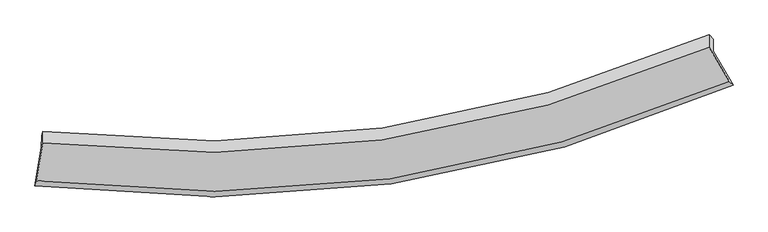
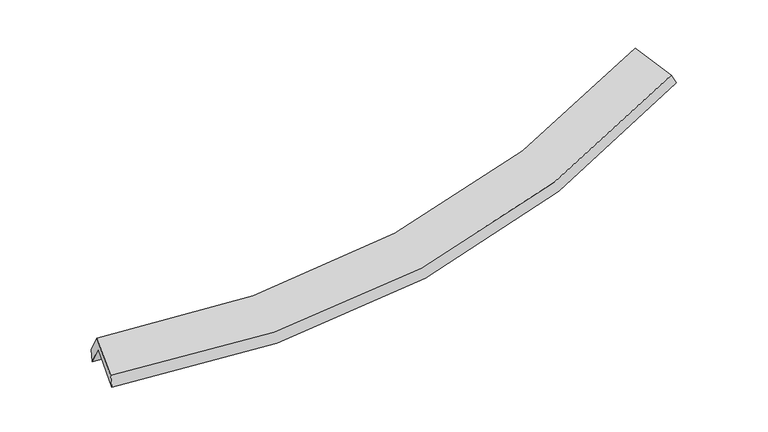
"""IFC4 building model written with IfcOpenShell, lengths in millimetres: proxy geometry."""

import ifcopenshell
import ifcopenshell.guid

model = None  # the IFC model being written
_history = None  # IfcOwnerHistory: only IFC2X3 demands one
_inside = {}  # id of a spatial element -> (the spatial element, [elements in it])
_under = {}  # id of a project, library or spatial element -> (it, [spatial elements below it])
_declared = {}  # id of a project -> (the project, [libraries it declares])
_typed = {}  # id of a type object -> (the type object, [elements of that type])
_made_of = {}  # id of a material, layer set ... -> (it, [elements and type objects made of it])


def new_model(schema):
    """Start an empty IFC model of exactly this schema.

    Asked for "IFC4X3", IfcOpenShell would pick the latest addendum, in which some entities
    have other attributes; the version numbers below select the first issue.
    IFC2X3 requires an IfcOwnerHistory on every rooted entity: one is made here for all.
    """
    global model, _history
    if schema == "IFC4X3":
        model = ifcopenshell.file(schema_version=(4, 3, 0, 0))
    else:
        model = ifcopenshell.file(schema=schema)
    _inside.clear()
    _under.clear()
    _declared.clear()
    _typed.clear()
    _made_of.clear()
    _history = None
    if model.schema == "IFC2X3":
        org = make("IfcOrganization", Name="unknown")
        user = make(
            "IfcPersonAndOrganization",
            ThePerson=make("IfcPerson", FamilyName="unknown"),
            TheOrganization=org,
        )
        app = make(
            "IfcApplication",
            ApplicationDeveloper=org,
            Version="unknown",
            ApplicationFullName="unknown",
            ApplicationIdentifier="unknown",
        )
        _history = make(
            "IfcOwnerHistory",
            OwningUser=user,
            OwningApplication=app,
            ChangeAction="ADDED",
            CreationDate=0,
        )
    return model


def make(cls, **values):
    """One entity of the class cls with the attributes given. An attribute that is None is left unset."""
    return model.create_entity(
        cls, **{name: value for name, value in values.items() if value is not None}
    )


def rooted(cls, **values):
    """An entity with a GlobalId (a new one), such as an element, a storey or a relation."""
    return make(cls, GlobalId=ifcopenshell.guid.new(), OwnerHistory=_history, **values)


def si_unit(unit_type, name, prefix=None):
    """IfcSIUnit, for example si_unit("LENGTHUNIT", "METRE", prefix="MILLI")."""
    return make("IfcSIUnit", UnitType=unit_type, Prefix=prefix, Name=name)


def assignment(units):
    """IfcUnitAssignment: the units of a project."""
    return None if units is None else make("IfcUnitAssignment", Units=units)


def point(xyz):
    """IfcCartesianPoint."""
    return None if xyz is None else make("IfcCartesianPoint", Coordinates=xyz)


def direction(xyz):
    """IfcDirection."""
    return None if xyz is None else make("IfcDirection", DirectionRatios=xyz)


def frame(location, z_axis=None, x_axis=None):
    """IfcAxis2Placement3D, a coordinate frame: its origin and axes. An axis left out is left unset."""
    return make(
        "IfcAxis2Placement3D",
        Location=point(location),
        Axis=direction(z_axis),
        RefDirection=direction(x_axis),
    )


def origin():
    """The frame at (0, 0, 0) with its axes left unset."""
    return frame((0.0, 0.0, 0.0))


def place(relative_to, where):
    """IfcLocalPlacement: puts the frame where relative to a parent placement (None: the world)."""
    return make(
        "IfcLocalPlacement", PlacementRelTo=relative_to, RelativePlacement=where
    )


def context(
    kind, dimensions, precision=None, world=None, true_north=None, identifier=None
):
    """IfcGeometricRepresentationContext, for example the 3D "Model" context."""
    return make(
        "IfcGeometricRepresentationContext",
        ContextIdentifier=identifier,
        ContextType=kind,
        CoordinateSpaceDimension=dimensions,
        Precision=precision,
        WorldCoordinateSystem=world,
        TrueNorth=true_north,
    )


def project(units=None, contexts=None):
    """IfcProject with its units and contexts."""
    return rooted(
        "IfcProject",
        Name="project",
        RepresentationContexts=contexts,
        UnitsInContext=assignment(units),
    )


def spatial(cls, under=None, at=None, **own):
    """A site, building, storey or space (cls), placed at a placement, below another one or the project."""
    s = rooted(cls, ObjectPlacement=at, **own)
    if under is not None:
        _under.setdefault(under.id(), (under, []))[1].append(s)
    return s


def shape(context_of_items, identifier, shape_type, items):
    """IfcShapeRepresentation: the items that make up one representation, for example the "Body"."""
    return make(
        "IfcShapeRepresentation",
        ContextOfItems=context_of_items,
        RepresentationIdentifier=identifier,
        RepresentationType=shape_type,
        Items=items,
    )


def source(mapping_origin, context_of_items, identifier, shape_type, items):
    """IfcRepresentationMap: a shape defined once, which mapped items show again and again."""
    return make(
        "IfcRepresentationMap",
        MappingOrigin=mapping_origin,
        MappedRepresentation=shape(context_of_items, identifier, shape_type, items),
    )


def transform(
    local_origin,
    x_axis=None,
    y_axis=None,
    z_axis=None,
    scale=None,
    scale2=None,
    scale3=None,
    uniform=True,
):
    """IfcCartesianTransformationOperator3D, or its non-uniform kind. x_axis, y_axis, z_axis: its Axis1, 2, 3."""
    if uniform:
        return make(
            "IfcCartesianTransformationOperator3D",
            Axis1=direction(x_axis),
            Axis2=direction(y_axis),
            LocalOrigin=point(local_origin),
            Scale=scale,
            Axis3=direction(z_axis),
        )
    return make(
        "IfcCartesianTransformationOperator3DnonUniform",
        Axis1=direction(x_axis),
        Axis2=direction(y_axis),
        LocalOrigin=point(local_origin),
        Scale=scale,
        Axis3=direction(z_axis),
        Scale2=scale2,
        Scale3=scale3,
    )


def mapped(mapping_source, mapping_target):
    """IfcMappedItem: shows the shape of a source again, moved by a transform."""
    return make(
        "IfcMappedItem", MappingSource=mapping_source, MappingTarget=mapping_target
    )


def made_of(thing, what):
    """Note that an element or type object is made of a material, layer set ...; save() writes the relation."""
    if what is not None:
        _made_of.setdefault(what.id(), (what, []))[1].append(thing)
    return thing


def element(
    cls,
    number,
    at=None,
    inside=None,
    cuts=None,
    type_object=None,
    material=None,
    context=None,
    identifier="Body",
    shape_type=None,
    held_by="IfcProductDefinitionShape",
    body=None,
    shapes=None,
    **own,
):
    """One element of the class cls, such as IfcWall. Its Tag is "e" and its number.

    at: its placement. inside: the storey or other place that contains it. cuts: it is an
    opening in that element (IfcRelVoidsElement). A single representation is given by context,
    identifier, shape_type and body (its items); several are given by shapes. held_by: the class
    of the entity that holds the representations. save() writes the other relations.
    """
    e = rooted(cls, Tag="e%d" % number, ObjectPlacement=at, **own)
    if body is not None:
        shapes = [shape(context, identifier, shape_type, body)]
    if shapes is not None:
        e.Representation = make(held_by, Representations=shapes)
    if inside is not None:
        _inside.setdefault(inside.id(), (inside, []))[1].append(e)
    if cuts is not None:
        rooted(
            "IfcRelVoidsElement", RelatingBuildingElement=cuts, RelatedOpeningElement=e
        )
    if type_object is not None:
        _typed.setdefault(type_object.id(), (type_object, []))[1].append(e)
    return made_of(e, material)


def aggregate(whole, parts):
    """IfcRelAggregates: a whole, such as a stair, and the parts it consists of."""
    return rooted("IfcRelAggregates", RelatingObject=whole, RelatedObjects=parts)


def save(model, path):
    """Write the relations noted so far, then the file.

    IfcRelAggregates (storeys below a building ...), IfcRelContainedInSpatialStructure (elements
    in a storey), IfcRelDefinesByType, IfcRelAssociatesMaterial and IfcRelDeclares: one each for
    every whole, place, type object, material and project.
    """
    for whole, parts in _under.values():
        aggregate(whole, parts)
    for where, things in _inside.values():
        rooted(
            "IfcRelContainedInSpatialStructure",
            RelatedElements=things,
            RelatingStructure=where,
        )
    for kind, things in _typed.values():
        rooted("IfcRelDefinesByType", RelatedObjects=things, RelatingType=kind)
    for what, things in _made_of.values():
        rooted("IfcRelAssociatesMaterial", RelatedObjects=things, RelatingMaterial=what)
    for by, libraries in _declared.values():
        rooted("IfcRelDeclares", RelatingContext=by, RelatedDefinitions=libraries)
    model.write(path)


def plane_surface(at):
    """IfcPlane: the flat surface through the origin of the frame at, square to its z axis."""
    return make("IfcPlane", Position=at)


def spline_curve(degree, points, multiplicities, knots, weights=None):
    """IfcBSplineCurveWithKnots; with weights, IfcRationalBSplineCurveWithKnots."""
    own = dict(
        Degree=degree,
        ControlPointsList=[point(p) for p in points],
        CurveForm="UNSPECIFIED",
        ClosedCurve=False,
        SelfIntersect=False,
        KnotMultiplicities=multiplicities,
        Knots=knots,
        KnotSpec="UNSPECIFIED",
    )
    if weights is None:
        return make("IfcBSplineCurveWithKnots", **own)
    return make("IfcRationalBSplineCurveWithKnots", WeightsData=weights, **own)


def spline_surface(u_degree, v_degree, points, u_multiplicities, v_multiplicities, u_knots, v_knots, weights=None):
    """IfcBSplineSurfaceWithKnots; with weights, IfcRationalBSplineSurfaceWithKnots. points: one row for each step in u."""
    own = dict(
        UDegree=u_degree,
        VDegree=v_degree,
        ControlPointsList=[[point(p) for p in row] for row in points],
        SurfaceForm="UNSPECIFIED",
        UClosed=False,
        VClosed=False,
        SelfIntersect=False,
        UMultiplicities=u_multiplicities,
        VMultiplicities=v_multiplicities,
        UKnots=u_knots,
        VKnots=v_knots,
        KnotSpec="UNSPECIFIED",
    )
    if weights is None:
        return make("IfcBSplineSurfaceWithKnots", **own)
    return make("IfcRationalBSplineSurfaceWithKnots", WeightsData=weights, **own)


def advanced_brep(points, edges, surfaces, faces):
    """IfcAdvancedBrep: a solid bounded by faces that lie on surfaces and meet in shared edges.

    An edge is (start, end): straight between two places in points (the first is 0);
    or (start, end, curve); or (start, end, curve, False) where it runs against its curve.
    A face is (place in surfaces, loops), or (place, loops, False) where it looks against
    its surface's normal. A loop lists edges by number (the first is 1), with a minus sign
    where the edge is run from its end to its start. The first loop is the outer one.
    """
    corners = [point(p) for p in points]
    vertices = [make("IfcVertexPoint", VertexGeometry=c) for c in corners]
    made = []
    for start, end, *more in edges:
        made.append(
            make(
                "IfcEdgeCurve",
                EdgeStart=vertices[start],
                EdgeEnd=vertices[end],
                EdgeGeometry=more[0] if more else make("IfcPolyline", Points=[corners[start], corners[end]]),
                SameSense=more[1] if len(more) > 1 else True,
            )
        )
    hull = []
    for where, loops, *sense in faces:
        bounds = []
        for j, loop in enumerate(loops):
            ring = [make("IfcOrientedEdge", EdgeElement=made[abs(k) - 1], Orientation=k > 0) for k in loop]
            bounds.append(
                make(
                    "IfcFaceOuterBound" if j == 0 else "IfcFaceBound",
                    Bound=make("IfcEdgeLoop", EdgeList=ring),
                    Orientation=True,
                )
            )
        hull.append(make("IfcAdvancedFace", Bounds=bounds, FaceSurface=surfaces[where], SameSense=sense[0] if sense else True))
    return make("IfcAdvancedBrep", Outer=make("IfcClosedShell", CfsFaces=hull))


def generic_models_1a152ef3(model_context):
    return source(origin(), model_context, "Body", "AdvancedBrep", [
        advanced_brep(
        [(-5272.9742727, -2641.8372993, 1474.800152), (-5173.367262, -2061.8047171, 1788.2206675), (5040.3124475, -591.7894059, 2659.8524244), (5343.9496704, -1109.518787, 2382.8424558), (-5170.952639, -1875.6380659, 1442.9234343), (5042.6877, -408.658212, 2320.1852813), (-5151.4774283, -1817.7807458, 1618.1081912), (4980.9058205, -343.5189826, 2449.0407294), (-5153.6771769, -1987.3806434, 1932.6778254), (4978.5006184, -528.9592859, 2792.9907507), (-5251.5438892, -2567.301457, 1645.2836598), (5288.6580753, -1057.8062656, 2510.0323355)],
        [
            (0, 1),
            (1, 2, spline_curve(3, [(-5173.367262, -2061.8047171, 1788.2206675), (-3395.069513392, -2278.247995628, 1703.511305615), (-1659.146965209, -2265.872290569, 1732.78148907), (1746.338253923, -1780.863740207, 2020.836519421), (3414.975609163, -1303.234341078, 2282.110255175), (5040.3124475, -591.7894059, 2659.8524244)], [4, 2, 4], [0.0, 17.431768763377683, 35.05283213271087])),
            (2, 3),
            (3, 0, spline_curve(3, [(5343.9496704, -1109.518787, 2382.8424558), (3658.626498012, -1860.769620923, 1983.219499711), (1926.190342502, -2363.4426484, 1707.997379709), (-1613.791092094, -2868.903468884, 1407.975012182), (-3420.329584644, -2877.003278308, 1380.516364393), (-5272.9742727, -2641.8372993, 1474.800152)], [4, 2, 4], [0.0, 17.621063369333186, 35.05283213271087])),
            (1, 4),
            (4, 5, spline_curve(3, [(-5170.952639, -1875.6380659, 1442.9234343), (-3392.696488724, -2095.288568705, 1364.162751108), (-1656.798097569, -2084.775365827, 1396.887456839), (1748.673617155, -1600.807998012, 1686.873647631), (3417.322006088, -1122.327916182, 1946.569557782), (5042.6877, -408.658212, 2320.1852813)], [4, 2, 4], [0.0, 17.088989982592718, 34.363552276798956])),
            (5, 2),
            (4, 6),
            (6, 7, spline_curve(3, [(-5151.4774283, -1817.7807458, 1618.1081912), (-3387.773385349, -2022.984852058, 1515.879647219), (-1665.888827312, -2004.609154076, 1532.987866183), (1712.485437269, -1518.070715498, 1807.359508778), (3368.061961879, -1045.025825138, 2067.228803095), (4980.9058205, -343.5189826, 2449.0407294)], [4, 2, 4], [0.0, 17.020316724904507, 34.2254600265846])),
            (7, 5),
            (6, 8),
            (8, 9, spline_curve(3, [(-5153.6771769, -1987.3806434, 1932.6778254), (-3390.067630043, -2199.870362109, 1843.962452633), (-1668.247511757, -2186.462957945, 1870.285737874), (1710.057612136, -1705.255255822, 2154.544697426), (3365.63009198, -1232.522206941, 2414.992387375), (4978.5006184, -528.9592859, 2792.9907507)], [4, 2, 4], [0.0, 16.951744301129548, 34.08757053916972])),
            (9, 7),
            (8, 10),
            (10, 11, spline_curve(3, [(-5251.5438892, -2567.301457, 1645.2836598), (-3416.201805537, -2793.172737912, 1536.901648112), (-1624.685965948, -2782.281938771, 1553.704175222), (1889.671690145, -2284.286875385, 1839.220170807), (3611.556505411, -1792.012610591, 2110.66720199), (5288.6580753, -1057.8062656, 2510.0323355)], [4, 2, 4], [0.0, 17.293264811791953, 34.774320191062614])),
            (11, 9),
            (10, 0),
            (3, 11),
        ],
        [
            spline_surface(3, 3, [[(-5272.9742727, -2641.8372993, 1474.800152), (-3420.329584872, -2877.003278498, 1380.516364358), (-1613.791092285, -2868.903468741, 1407.975012273), (1926.190342696, -2363.442648545, 1707.997379617), (3658.626497827, -1860.769620893, 1983.219499629), (5343.9496704, -1109.518787, 2382.8424558)], [(-5239.771935809, -2448.493105226, 1579.27365716), (-3411.909561026, -2677.418184168, 1488.18134472), (-1628.909716647, -2667.893076088, 1516.243837768), (1866.239646491, -2169.249679008, 1812.277092971), (3577.409534988, -1674.924527576, 2082.849751522), (5242.737262764, -936.942326616, 2475.179111976)], [(-5206.569598891, -2255.148911174, 1683.74716234), (-3403.489537152, -2477.833089859, 1595.846325104), (-1644.028341007, -2466.882683464, 1624.512663292), (1806.288950289, -1975.0567095, 1916.556806353), (3496.192572158, -1489.079434311, 2182.480003488), (5141.524855136, -764.365866284, 2567.515768224)], [(-5173.367262, -2061.8047171, 1788.2206675), (-3395.069513305, -2278.247995529, 1703.511305466), (-1659.146965369, -2265.872290811, 1732.781488787), (1746.338254084, -1780.863739963, 2020.836519707), (3414.97560932, -1303.234340994, 2282.110255381), (5040.3124475, -591.7894059, 2659.8524244)]], [4, 4], [4, 2, 4], [0.0, 2.239002908747823], [0.0, 17.431768763377683, 35.05283213271087]),
            spline_surface(3, 3, [[(-5173.367262, -2061.8047171, 1788.2206675), (-3395.069513305, -2278.247995529, 1703.511305466), (-1659.146965369, -2265.872290811, 1732.781488787), (1746.338254084, -1780.863739963, 2020.836519707), (3414.97560932, -1303.234340994, 2282.110255381), (5040.3124475, -591.7894059, 2659.8524244)], [(-5172.562387653, -1999.749166694, 1673.121589778), (-3394.278505097, -2217.261519862, 1590.395120744), (-1658.364009516, -2205.506649193, 1620.816811481), (1747.116708479, -1720.845159288, 1909.515562328), (3415.757741564, -1242.932199307, 2170.263356153), (5041.104198327, -530.745674608, 2546.63004338)], [(-5171.757513347, -1937.693616306, 1558.022512022), (-3393.487496928, -2156.275044212, 1477.278935986), (-1657.581053598, -2145.141007547, 1508.852134191), (1747.89516294, -1660.826578584, 1798.194604965), (3416.539873828, -1182.630057597, 2058.416456884), (5041.895949173, -469.701943292, 2433.40766232)], [(-5170.952639, -1875.6380659, 1442.9234343), (-3392.69648872, -2095.288568545, 1364.162751264), (-1656.798097745, -2084.775365929, 1396.887456885), (1748.673617334, -1600.807997908, 1686.873647585), (3417.322006072, -1122.32791591, 1946.569557655), (5042.6877, -408.658212, 2320.1852813)]], [4, 4], [4, 2, 4], [0.0, 1.2483651405072662], [0.0, 17.088989982592718, 34.363552276798956]),
            spline_surface(3, 3, [[(-5170.952639, -1875.6380659, 1442.9234343), (-3392.69648872, -2095.288568545, 1364.162751264), (-1656.798097745, -2084.775365929, 1396.887456885), (1748.673617334, -1600.807997908, 1686.873647585), (3417.322006072, -1122.32791591, 1946.569557655), (5042.6877, -408.658212, 2320.1852813)], [(-5164.460902113, -1856.352292539, 1501.318353241), (-3391.055454236, -2071.187329632, 1414.735049875), (-1659.828340895, -2058.053295367, 1442.254259921), (1736.610890651, -1573.228903699, 1727.03560141), (3400.901991456, -1096.560552319, 1986.789306084), (5022.09374019, -386.945135547, 2363.137097327)], [(-5157.969165187, -1837.066519161, 1559.713272259), (-3389.414419714, -2047.086090702, 1465.307348565), (-1662.858584112, -2031.331224829, 1487.621062914), (1724.5481639, -1545.649809514, 1767.19755519), (3384.481976771, -1070.793188686, 2027.009054532), (5001.49978031, -365.232059053, 2406.088913373)], [(-5151.4774283, -1817.7807458, 1618.1081912), (-3387.773385231, -2022.984851789, 1515.879647177), (-1665.888827261, -2004.609154267, 1532.98786595), (1712.485437218, -1518.070715305, 1807.359509015), (3368.061962155, -1045.025825096, 2067.22880296), (4980.9058205, -343.5189826, 2449.0407294)]], [4, 4], [4, 2, 4], [0.0, 0.5039419410102561], [0.0, 17.020316724904507, 34.2254600265846]),
            spline_surface(3, 3, [[(-5151.4774283, -1817.7807458, 1618.1081912), (-3387.773385231, -2022.984851789, 1515.879647177), (-1665.888827261, -2004.609154267, 1532.98786595), (1712.485437218, -1518.070715305, 1807.359509015), (3368.061962155, -1045.025825096, 2067.22880296), (4980.9058205, -343.5189826, 2449.0407294)], [(-5152.210677815, -1874.314044989, 1722.964735936), (-3388.53813342, -2081.946688467, 1625.240582306), (-1666.675055409, -2065.227088809, 1645.420489843), (1711.676162121, -1580.465562129, 1923.087905219), (3367.251338839, -1107.524619137, 2183.149997856), (4980.104086452, -405.332417036, 2563.690736497)], [(-5152.943927385, -1930.847344211, 1827.821280664), (-3389.302881663, -2140.908525177, 1734.601517428), (-1667.461283479, -2125.845023399, 1757.853113758), (1710.866887102, -1642.860409001, 2038.816301447), (3366.440715569, -1170.02341317, 2299.07119276), (4979.302352448, -467.145851464, 2678.340743603)], [(-5153.6771769, -1987.3806434, 1932.6778254), (-3390.067629852, -2199.870361854, 1843.962452558), (-1668.247511627, -2186.462957942, 1870.285737651), (1710.057612005, -1705.255255825, 2154.544697652), (3365.630092253, -1232.522207212, 2414.992387655), (4978.5006184, -528.9592859, 2792.9907507)]], [4, 4], [4, 2, 4], [0.0, 1.2758593614108407], [0.0, 16.951744301129548, 34.08757053916972]),
            spline_surface(3, 3, [[(-5153.6771769, -1987.3806434, 1932.6778254), (-3390.067629852, -2199.870361854, 1843.962452558), (-1668.247511627, -2186.462957942, 1870.285737651), (1710.057612005, -1705.255255825, 2154.544697652), (3365.630092253, -1232.522207212, 2414.992387655), (4978.5006184, -528.9592859, 2792.9907507)], [(-5186.299414341, -2180.687581275, 1836.879770214), (-3398.779021821, -2397.637820493, 1741.608851063), (-1653.726996441, -2385.069284882, 1764.758550247), (1769.92897148, -1898.265795706, 2049.436522), (3447.605563383, -1419.019008353, 2313.550659063), (5081.886437389, -705.241612461, 2698.671278963)], [(-5218.921651759, -2373.994519125, 1741.081714986), (-3407.490413769, -2595.405279108, 1639.255249526), (-1639.206481337, -2583.675611786, 1659.231362789), (1829.800330874, -2091.27633555, 1944.328346294), (3529.581034446, -1605.515809511, 2212.10893048), (5185.272256311, -881.523939039, 2604.351807237)], [(-5251.5438892, -2567.301457, 1645.2836598), (-3416.201805739, -2793.172737747, 1536.901648032), (-1624.68596615, -2782.281938726, 1553.704175385), (1889.67169035, -2284.28687543, 1839.220170642), (3611.556505576, -1792.012610652, 2110.667201888), (5288.6580753, -1057.8062656, 2510.0323355)]], [4, 4], [4, 2, 4], [0.0, 2.2188731241175903], [0.0, 17.293264811791953, 34.774320191062614]),
            spline_surface(3, 3, [[(-5251.5438892, -2567.301457, 1645.2836598), (-3416.201805739, -2793.172737747, 1536.901648032), (-1624.68596615, -2782.281938726, 1553.704175385), (1889.67169035, -2284.28687543, 1839.220170642), (3611.556505576, -1792.012610652, 2110.667201888), (5288.6580753, -1057.8062656, 2510.0323355)], [(-5258.687350369, -2592.146737777, 1588.455823872), (-3417.577732119, -2821.11625134, 1484.773220145), (-1621.05434153, -2811.155782076, 1505.127787671), (1901.844574464, -2310.672133147, 1795.479240291), (3627.246502972, -1814.931614064, 2068.184634492), (5307.088606979, -1075.043772731, 2467.635708957)], [(-5265.830811531, -2616.992018523, 1531.627987928), (-3418.953658492, -2849.059764904, 1432.644792244), (-1617.422716905, -2840.029625391, 1456.551399987), (1914.017458582, -2337.057390829, 1751.738309968), (3642.936500431, -1837.850617481, 2025.702067025), (5325.519138721, -1092.281279869, 2425.239082343)], [(-5272.9742727, -2641.8372993, 1474.800152), (-3420.329584872, -2877.003278498, 1380.516364358), (-1613.791092285, -2868.903468741, 1407.975012273), (1926.190342696, -2363.442648545, 1707.997379617), (3658.626497827, -1860.769620893, 1983.219499629), (5343.9496704, -1109.518787, 2382.8424558)]], [4, 4], [4, 2, 4], [0.0, 0.5349512111594433], [0.0, 17.70469144610061, 35.60164121299161]),
            plane_surface(frame((5112.5023887, -673.3751565, 2519.1573295), z_axis=(0.8882430044380873, 0.40172605621922547, 0.22280157275330847), x_axis=(0.45933264550686514, -0.783204391159167, -0.4190517896879373))),
            plane_surface(frame((-5195.6654447, -2158.6238214, 1650.335655), z_axis=(-0.9887598340311361, 0.13438284507751871, 0.06553809240122915), x_axis=(0.1144203764418694, 0.39795924022445184, 0.9102397599395875))),
        ],
        [
            (0, [[1, 2, 3, 4]]),
            (1, [[5, 6, 7, -2]]),
            (2, [[8, 9, 10, -6]]),
            (3, [[11, 12, 13, -9]]),
            (4, [[14, 15, 16, -12]]),
            (5, [[17, -4, 18, -15]]),
            (6, [[-16, -18, -3, -7, -10, -13]]),
            (7, [[-17, -14, -11, -8, -5, -1]]),
        ],
    ),
    ])


if __name__ == "__main__":
    model = new_model("IFC4")
    model_context = context("Model", 3, world=origin())
    ifc_project = project(units=[si_unit("LENGTHUNIT", "METRE", prefix="MILLI")], contexts=[model_context])
    site = spatial("IfcSite", under=ifc_project)
    building = spatial("IfcBuilding", under=site)
    placement = place(None, origin())
    generic_models_shape = generic_models_1a152ef3(model_context)
    element("IfcBuildingElementProxy", 1, Name="Generic Models", at=placement, inside=building, context=model_context, shape_type="MappedRepresentation", body=[
        mapped(generic_models_shape, transform((0.0, 0.0, 0.0), x_axis=(1.0, 0.0, 0.0), y_axis=(0.0, 1.0, 0.0), z_axis=(0.0, 0.0, 1.0))),
    ])
    save(model, "model.ifc")
